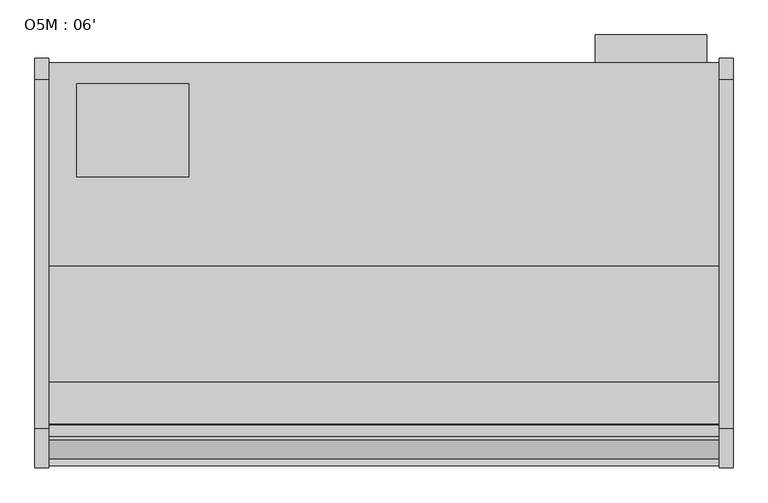
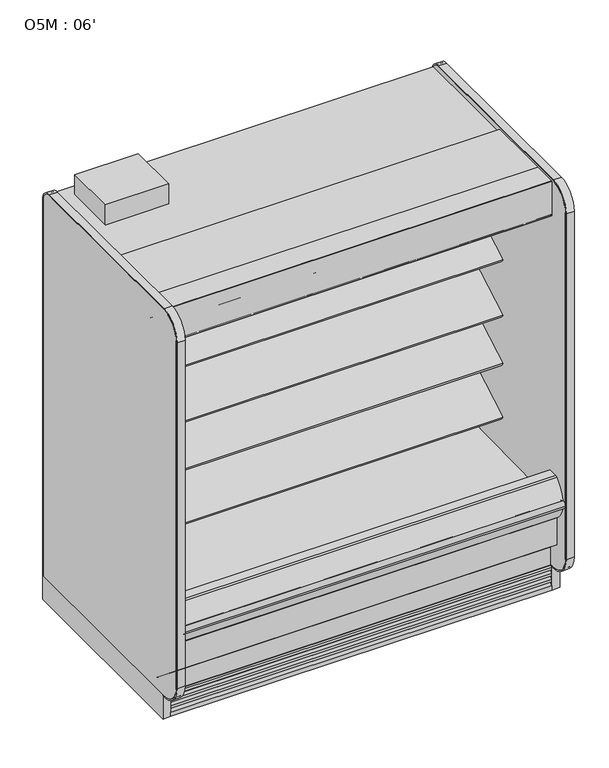
"""IFC4 building model written with IfcOpenShell, lengths in millimetres: proxy geometry, O5M : 06'."""

from ifc_helpers import new_model, si_unit, point, frame, frame_2d, origin, origin_with_axes, place, context, project, spatial, polyline, circle_curve, trimmed, segment, composite_curve, outline, extrude, faceted_brep, source, transform, mapped, element, save
from ifc_brep_helpers import plane_surface, cylinder_surface, revolved_surface, advanced_brep


def o5m_06_97b1ac9b(model_context):
    return source(origin(), model_context, "Body", "SolidModel", [
        extrude(outline(polyline([(1795.6746572, -325.3089273), (1795.6746572, -401.5089273), (1490.8156609, -401.5089273), (1490.8156609, -325.3089273), (1795.6746572, -325.3089273)])), frame((0.0, 0.0, 487.7641214), z_axis=(0.0, 0.0, 1.0), x_axis=(1.0, 0.0, 0.0)), (0.0, 0.0, 1.0), 1371.6),
        extrude(outline(polyline([(381.0, -458.6589273), (381.0, -712.6589273), (76.2, -712.6589273), (76.2, -458.6589273), (381.0, -458.6589273)])), frame((0.0, 0.0, 2053.8264246), z_axis=(0.0, 0.0, 1.0), x_axis=(1.0, 0.0, 0.0)), (0.0, 0.0, 1.0), 101.6),
        extrude(outline(composite_curve([segment(polyline([(-1223.3628541, 1962.3210235), (-1255.895115, 1950.4802489)]), True, "CONTINUOUS"), segment(trimmed(circle_curve(frame_2d((-1256.3757176, 1951.8006938)), 1.4051881), [point((-1255.895115, 1950.4802489))], [point((-1256.9695758, 1950.5271609))], False, "CARTESIAN"), True, "CONTINUOUS"), segment(polyline([(-1256.9695758, 1950.5271609), (-1280.8329852, 1961.6548515)]), True, "CONTINUOUS"), segment(trimmed(circle_curve(frame_2d((-1281.445949, 1960.3403465)), 1.4503958), [point((-1280.8329852, 1961.6548515))], [point((-1281.7308358, 1961.7624883))], True, "CARTESIAN"), True, "CONTINUOUS"), segment(polyline([(-1281.7308358, 1961.7624883), (-1385.7279137, 1933.8965553), (-1386.0503089, 1932.9043249), (-1386.0503089, 1919.5570618), (-1386.9647089, 1919.5570618), (-1386.9647089, 1903.1893853)]), True, "CONTINUOUS"), segment(trimmed(circle_curve(frame_2d((-1385.3772089, 1903.1893853)), 1.5875), [point((-1386.9647089, 1903.1893853))], [point((-1385.8940483, 1901.6883745))], True, "CARTESIAN"), True, "CONTINUOUS"), segment(polyline([(-1385.8940483, 1901.6883745), (-1375.7025605, 1898.1791638)]), True, "CONTINUOUS"), segment(trimmed(circle_curve(frame_2d((-1375.1857211, 1899.6801746)), 1.5875), [point((-1375.7025605, 1898.1791638))], [point((-1374.0631891, 1898.5576426))], True, "CARTESIAN"), True, "CONTINUOUS"), segment(polyline([(-1374.0631891, 1898.5576426), (-1370.6686523, 1901.9521794), (-1370.1043685, 1901.3878956), (-1373.6142806, 1898.1085254)]), True, "CONTINUOUS"), segment(trimmed(circle_curve(frame_2d((-1375.1856584, 1899.6799031)), 2.2222637), [point((-1373.6142806, 1898.1085254))], [point((-1375.9092963, 1897.5787596))], False, "CARTESIAN"), True, "CONTINUOUS"), segment(polyline([(-1375.9092963, 1897.5787596), (-1386.1540366, 1901.1070681)]), True, "CONTINUOUS"), segment(trimmed(circle_curve(frame_2d((-1385.3772089, 1903.1893853)), 2.2225), [point((-1386.1540366, 1901.1070681))], [point((-1387.5997089, 1903.1893853))], False, "CARTESIAN"), True, "CONTINUOUS"), segment(polyline([(-1387.5997089, 1903.1893853), (-1387.5997089, 2005.4901368), (-1352.415, 2053.8264246), (-1280.5248155, 2053.8264246), (-1280.5248155, 2003.6360246), (-1220.831024, 2003.6360246), (-1220.831024, 1914.23035)]), True, "CONTINUOUS"), segment(trimmed(circle_curve(frame_2d((-1218.9441858, 1914.23035)), 1.8868382), [point((-1220.831024, 1914.23035))], [point((-1219.3143335, 1912.3801746))], True, "CARTESIAN"), True, "CONTINUOUS"), segment(polyline([(-1219.3143335, 1912.3801746), (-1211.3098155, 1912.3801746), (-1211.3098155, 1911.5761369), (-1220.1967179, 1911.5761369)]), True, "CONTINUOUS"), segment(trimmed(circle_curve(frame_2d((-1220.1967179, 1913.8074915)), 2.2313546), [point((-1220.1967179, 1911.5761369))], [point((-1222.4223155, 1913.9676746))], False, "CARTESIAN"), True, "CONTINUOUS"), segment(polyline([(-1222.4223155, 1913.9676746), (-1222.4223155, 1917.7806084), (-1223.2619623, 1917.5556257), (-1229.5259839, 1917.5556257), (-1229.5259839, 1918.4700257), (-1223.4631915, 1918.4700257), (-1222.7791089, 1918.864981), (-1222.7791089, 1961.9122807)]), True, "CONTINUOUS"), segment(trimmed(circle_curve(frame_2d((-1223.2140839, 1961.9122807)), 0.434975), [point((-1222.7791089, 1961.9122807))], [point((-1223.3628541, 1962.3210235))], True, "CARTESIAN"), True, "CONTINUOUS")], self_intersect=False)), frame((0.0, 0.0, 0.0), z_axis=(1.0, 0.0, 0.0), x_axis=(0.0, 1.0, 0.0)), (0.0, 0.0, 1.0), 1828.8),
        extrude(outline(composite_curve([segment(polyline([(-1272.4996089, 2072.8764246), (-1272.4996089, 2072.0890246), (-1386.8059589, 2072.0890246)]), True, "CONTINUOUS"), segment(trimmed(circle_curve(frame_2d((-1386.8059589, 2071.2952746)), 0.79375), [point((-1386.8059589, 2072.0890246))], [point((-1387.5997089, 2071.2952746))], True, "CARTESIAN"), True, "CONTINUOUS"), segment(polyline([(-1387.5997089, 2071.2952746), (-1387.5997089, 1896.6893246)]), True, "CONTINUOUS"), segment(trimmed(circle_curve(frame_2d((-1386.8059589, 1896.6893246)), 0.79375), [point((-1387.5997089, 1896.6893246))], [point((-1386.8059589, 1895.8955746))], True, "CARTESIAN"), True, "CONTINUOUS"), segment(polyline([(-1386.8059589, 1895.8955746), (-1363.7745089, 1895.8955746)]), True, "CONTINUOUS"), segment(trimmed(circle_curve(frame_2d((-1363.7745089, 1896.6893246)), 0.79375), [point((-1363.7745089, 1895.8955746))], [point((-1362.9807589, 1896.6893246))], True, "CARTESIAN"), True, "CONTINUOUS"), segment(polyline([(-1362.9807589, 1896.6893246), (-1362.9807589, 1907.8081746), (-1362.1933589, 1907.8081746), (-1362.1933589, 1896.6893246)]), True, "CONTINUOUS"), segment(trimmed(circle_curve(frame_2d((-1363.7745089, 1896.6893246)), 1.58115), [point((-1362.1933589, 1896.6893246))], [point((-1363.7745089, 1895.1081746))], False, "CARTESIAN"), True, "CONTINUOUS"), segment(polyline([(-1363.7745089, 1895.1081746), (-1386.8059589, 1895.1081746)]), True, "CONTINUOUS"), segment(trimmed(circle_curve(frame_2d((-1386.8059589, 1896.6893246)), 1.58115), [point((-1386.8059589, 1895.1081746))], [point((-1388.3871089, 1896.6893246))], False, "CARTESIAN"), True, "CONTINUOUS"), segment(polyline([(-1388.3871089, 1896.6893246), (-1388.3871089, 2071.2952746)]), True, "CONTINUOUS"), segment(trimmed(circle_curve(frame_2d((-1386.8059589, 2071.2952746)), 1.58115), [point((-1388.3871089, 2071.2952746))], [point((-1386.8059589, 2072.8764246))], False, "CARTESIAN"), True, "CONTINUOUS"), segment(polyline([(-1386.8059589, 2072.8764246), (-1272.4996089, 2072.8764246)]), True, "CONTINUOUS")], self_intersect=False)), frame((0.0, 0.0, 0.0), z_axis=(1.0, 0.0, 0.0), x_axis=(0.0, 1.0, 0.0)), (0.0, 0.0, 1.0), 1828.8),
        extrude(outline(composite_curve([segment(trimmed(circle_curve(frame_2d((1629.3213661, -1128.5839273)), 12.7), [point((1616.6213661, -1128.5839273))], [point((1642.0213661, -1128.5839273))], False, "CARTESIAN"), True, "CONTINUOUS"), segment(trimmed(circle_curve(frame_2d((1629.3213661, -1128.5839273)), 12.7), [point((1642.0213661, -1128.5839273))], [point((1616.6213661, -1128.5839273))], False, "CARTESIAN"), True, "CONTINUOUS")], self_intersect=False)), frame((0.0, 0.0, 66.7090149), z_axis=(0.0, 0.0, 1.0), x_axis=(1.0, 0.0, 0.0)), (0.0, 0.0, 1.0), 57.1159851),
        extrude(outline(composite_curve([segment(trimmed(circle_curve(frame_2d((1579.8446927, -1128.5839273)), 9.525), [point((1570.3196927, -1128.5839273))], [point((1589.3696927, -1128.5839273))], False, "CARTESIAN"), True, "CONTINUOUS"), segment(trimmed(circle_curve(frame_2d((1579.8446927, -1128.5839273)), 9.525), [point((1589.3696927, -1128.5839273))], [point((1570.3196927, -1128.5839273))], False, "CARTESIAN"), True, "CONTINUOUS")], self_intersect=False)), frame((0.0, 0.0, 66.7090149), z_axis=(0.0, 0.0, 1.0), x_axis=(1.0, 0.0, 0.0)), (0.0, 0.0, 1.0), 57.1159851),
        extrude(outline(composite_curve([segment(polyline([(-504.9331995, 1155.9321635), (-504.9331995, 1090.8241822), (-525.0625548, 1079.2024935)]), True, "CONTINUOUS"), segment(trimmed(circle_curve(frame_2d((-538.1347002, 1100.9804414)), 25.4), [point((-525.0625548, 1079.2024935))], [point((-542.0987552, 1075.8916737))], False, "CARTESIAN"), True, "CONTINUOUS"), segment(polyline([(-542.0987552, 1075.8916737), (-564.7817265, 1079.47561)]), True, "CONTINUOUS"), segment(trimmed(circle_curve(frame_2d((-574.6918641, 1016.7536906)), 63.5), [point((-564.7817265, 1079.47561))], [point((-599.3555643, 1075.2682349))], True, "CARTESIAN"), True, "CONTINUOUS"), segment(polyline([(-599.3555643, 1075.2682349), (-848.9833062, 958.5086882), (-851.9929005, 960.7439055), (-975.1938258, 889.6138181), (-982.3058258, 901.9321635), (-542.3649207, 1155.9321635), (-504.9331995, 1155.9321635)]), True, "CONTINUOUS")], self_intersect=False)), frame((0.0, 0.0, 0.0), z_axis=(1.0, 0.0, 0.0), x_axis=(0.0, 1.0, 0.0)), (0.0, 0.0, 1.0), 1828.8),
        extrude(outline(composite_curve([segment(polyline([(-504.9331995, 883.8140898), (-504.9331995, 818.7061085), (-525.0625548, 807.0844198)]), True, "CONTINUOUS"), segment(trimmed(circle_curve(frame_2d((-538.1347002, 828.8623677)), 25.4), [point((-525.0625548, 807.0844198))], [point((-542.0987552, 803.7736))], False, "CARTESIAN"), True, "CONTINUOUS"), segment(polyline([(-542.0987552, 803.7736), (-564.7817265, 807.3575363)]), True, "CONTINUOUS"), segment(trimmed(circle_curve(frame_2d((-574.6918641, 744.6356169)), 63.5), [point((-564.7817265, 807.3575363))], [point((-599.3555643, 803.1501612))], True, "CARTESIAN"), True, "CONTINUOUS"), segment(polyline([(-599.3555643, 803.1501612), (-848.9833062, 686.3906146), (-851.9929005, 688.6258319), (-975.1938258, 617.4957444), (-982.3058258, 629.8140898), (-542.3649207, 883.8140898), (-504.9331995, 883.8140898)]), True, "CONTINUOUS")], self_intersect=False)), frame((0.0, 0.0, 0.0), z_axis=(1.0, 0.0, 0.0), x_axis=(0.0, 1.0, 0.0)), (0.0, 0.0, 1.0), 1828.8),
        extrude(outline(composite_curve([segment(polyline([(-504.9331995, 1400.2899942), (-504.9331995, 1335.182013), (-525.0625548, 1323.5603243)]), True, "CONTINUOUS"), segment(trimmed(circle_curve(frame_2d((-538.1347002, 1345.3382722)), 25.4), [point((-525.0625548, 1323.5603243))], [point((-542.0987552, 1320.2495044))], False, "CARTESIAN"), True, "CONTINUOUS"), segment(polyline([(-542.0987552, 1320.2495044), (-564.7817265, 1323.8334408)]), True, "CONTINUOUS"), segment(trimmed(circle_curve(frame_2d((-574.6918641, 1261.1115214)), 63.5), [point((-564.7817265, 1323.8334408))], [point((-599.3555643, 1319.6260657))], True, "CARTESIAN"), True, "CONTINUOUS"), segment(polyline([(-599.3555643, 1319.6260657), (-848.9833062, 1202.866519), (-851.9929005, 1205.1017363), (-975.1938258, 1133.9716489), (-982.3058258, 1146.2899942), (-542.3649207, 1400.2899942), (-504.9331995, 1400.2899942)]), True, "CONTINUOUS")], self_intersect=False)), frame((0.0, 0.0, 0.0), z_axis=(1.0, 0.0, 0.0), x_axis=(0.0, 1.0, 0.0)), (0.0, 0.0, 1.0), 1828.8),
        extrude(outline(polyline([(711.2, -1346.7911816), (403.225, -1346.7911816), (403.225, -1249.5865659), (711.2, -1249.5865659), (711.2, -1346.7911816)])), frame((0.0, 0.0, 53.2186364), z_axis=(0.0, 0.0, 1.0), x_axis=(1.0, 0.0, 0.0)), (0.0, 0.0, 1.0), 9.8914),
        faceted_brep([(1828.8, -1207.9589273, 130.175), (1828.8, -1275.0830824, 130.175), (1828.8, -1369.8839273, 206.7143253), (1828.8, -1369.8839273, 10.9768116), (1828.8, -1207.9589273, 10.9768116), (0.0, -1207.9589273, 130.175), (0.0, -1207.9589273, 10.9768116), (0.0, -1369.8839273, 10.9768116), (0.0, -1369.8839273, 206.7143253), (0.0, -1275.0830824, 130.175), (711.2, -1346.7911816, 10.9768116), (711.2, -1249.5865659, 10.9768116), (403.225, -1249.5865659, 10.9768116), (403.225, -1346.7911816, 10.9768116), (711.2, -1346.7911816, 63.1100364), (403.225, -1346.7911816, 63.1100364), (403.225, -1249.5865659, 63.1100364), (711.2, -1249.5865659, 63.1100364)], [[[0, 1, 2, 3, 4]], [[5, 6, 7, 8, 9]], [[1, 0, 5, 9]], [[2, 1, 9, 8]], [[3, 2, 8, 7]], [[4, 3, 7, 6], [10, 11, 12, 13]], [[0, 4, 6, 5]], [[14, 15, 16, 17]], [[14, 17, 11, 10]], [[17, 16, 12, 11]], [[16, 15, 13, 12]], [[15, 14, 10, 13]]]),
        extrude(outline(composite_curve([segment(trimmed(circle_curve(frame_2d((368.3, 1749.2090336)), 12.7), [point((368.3, 1761.9090336))], [point((368.3, 1736.5090336))], False, "CARTESIAN"), True, "CONTINUOUS"), segment(trimmed(circle_curve(frame_2d((368.3, 1749.2090336)), 12.7), [point((368.3, 1736.5090336))], [point((368.3, 1761.9090336))], False, "CARTESIAN"), True, "CONTINUOUS")], self_intersect=False)), frame((0.0, -447.5561252, 0.0), z_axis=(0.0, 1.0, 0.0), x_axis=(0.0, 0.0, 1.0)), (0.0, 0.0, 1.0), 52.3971979),
        extrude(outline(composite_curve([segment(trimmed(circle_curve(frame_2d((368.3, 1710.7972115)), 9.525), [point((368.3, 1720.3222115))], [point((368.3, 1701.2722115))], False, "CARTESIAN"), True, "CONTINUOUS"), segment(trimmed(circle_curve(frame_2d((368.3, 1710.7972115)), 9.525), [point((368.3, 1701.2722115))], [point((368.3, 1720.3222115))], False, "CARTESIAN"), True, "CONTINUOUS")], self_intersect=False)), frame((0.0, -447.5561252, 0.0), z_axis=(0.0, 1.0, 0.0), x_axis=(0.0, 0.0, 1.0)), (0.0, 0.0, 1.0), 52.3971979),
        extrude(outline(composite_curve([segment(polyline([(-451.7851762, 2003.6360246), (-451.7851762, 404.745884), (-504.9331995, 404.745884), (-504.9331995, 1926.7316344)]), True, "CONTINUOUS"), segment(trimmed(circle_curve(frame_2d((-530.2144075, 1924.2779595)), 25.4), [point((-504.9331995, 1926.7316344))], [point((-530.1770065, 1949.6779319))], True, "CARTESIAN"), True, "CONTINUOUS"), segment(polyline([(-530.1770065, 1949.6779319), (-1117.9341687, 1949.6779319), (-1117.9341687, 1918.6360743)]), True, "CONTINUOUS"), segment(trimmed(circle_curve(frame_2d((-1120.1564596, 1918.6360743)), 2.2222909), [point((-1117.9341687, 1918.6360743))], [point((-1120.1564596, 1916.4137834))], False, "CARTESIAN"), True, "CONTINUOUS"), segment(polyline([(-1120.1564596, 1916.4137834), (-1129.6207909, 1916.4137834)]), True, "CONTINUOUS"), segment(trimmed(circle_curve(frame_2d((-1129.6207909, 1916.7312834)), 0.3175), [point((-1129.6207909, 1916.4137834))], [point((-1129.6207909, 1917.0487834))], False, "CARTESIAN"), True, "CONTINUOUS"), segment(polyline([(-1129.6207909, 1917.0487834), (-1120.1566687, 1917.0487834)]), True, "CONTINUOUS"), segment(trimmed(circle_curve(frame_2d((-1120.1566687, 1918.6362834)), 1.5875), [point((-1120.1566687, 1917.0487834))], [point((-1118.5691687, 1918.6362834))], True, "CARTESIAN"), True, "CONTINUOUS"), segment(polyline([(-1118.5691687, 1918.6362834), (-1118.5691687, 1942.4487846), (-1220.1998155, 1942.4487846), (-1220.1998155, 1918.6362834)]), True, "CONTINUOUS"), segment(trimmed(circle_curve(frame_2d((-1218.6123155, 1918.6362834)), 1.5875), [point((-1220.1998155, 1918.6362834))], [point((-1218.6123155, 1917.0487834))], True, "CARTESIAN"), True, "CONTINUOUS"), segment(polyline([(-1218.6123155, 1917.0487834), (-1209.9959099, 1917.0487834)]), True, "CONTINUOUS"), segment(trimmed(circle_curve(frame_2d((-1209.9959099, 1916.7312834)), 0.3175), [point((-1209.9959099, 1917.0487834))], [point((-1209.9959099, 1916.4137834))], False, "CARTESIAN"), True, "CONTINUOUS"), segment(polyline([(-1209.9959099, 1916.4137834), (-1218.6125246, 1916.4137834)]), True, "CONTINUOUS"), segment(trimmed(circle_curve(frame_2d((-1218.6125246, 1918.6360743)), 2.2222909), [point((-1218.6125246, 1916.4137834))], [point((-1220.8348155, 1918.6362834))], False, "CARTESIAN"), True, "CONTINUOUS"), segment(polyline([(-1220.8348155, 1918.6362834), (-1220.8268179, 2003.6360246), (-451.7851762, 2003.6360246)]), True, "CONTINUOUS")], self_intersect=False)), frame((0.0, 0.0, 0.0), z_axis=(1.0, 0.0, 0.0), x_axis=(0.0, 1.0, 0.0)), (0.0, 0.0, 1.0), 1828.8),
        advanced_brep(
        [(1828.8, -1428.7889874, 391.24255), (1828.8, -1428.7889874, 254.2724833), (1828.8, -1275.0830824, 130.175), (1828.8, -401.5089273, 130.175), (1828.8, -401.5089273, 2053.8264246), (1828.8, -1280.5248155, 2053.8264246), (1828.8, -1280.5248155, 2003.6360246), (1828.8, -451.7851762, 2003.6360246), (1828.8, -451.7851762, 363.9695251), (1828.8, -599.5014929, 211.662363), (1828.8, -1043.5931205, 195.6779213), (1828.8, -1096.7050237, 157.095884), (1828.8, -1163.5210307, 157.095884), (1828.8, -1221.5656168, 189.2720563), (1828.8, -1379.2843872, 341.5792153), (1828.8, -1379.2843872, 391.24255), (0.0, -1428.7889874, 391.24255), (0.0, -1379.2843872, 391.24255), (0.0, -1379.2843872, 341.5792153), (0.0, -1221.5656168, 189.2720563), (0.0, -1163.5210307, 157.095884), (0.0, -1096.7050237, 157.095884), (0.0, -1043.5931205, 195.6779213), (0.0, -599.5014929, 211.662363), (0.0, -451.7851762, 363.9695251), (0.0, -451.7851762, 2003.6360246), (0.0, -1280.5248155, 2003.6360246), (0.0, -1280.5248155, 2053.8264246), (0.0, -401.5089273, 2053.8264246), (0.0, -401.5089273, 130.175), (0.0, -1275.0830824, 130.175), (0.0, -1428.7889874, 254.2724833), (1727.2, -401.5089273, 317.5), (1727.2, -401.5089273, 419.1), (1727.2, -447.5561252, 317.5), (1727.2, -447.5561252, 419.1)],
        [
            (0, 1),
            (1, 2),
            (2, 3),
            (3, 4),
            (4, 5),
            (5, 6),
            (6, 7),
            (7, 8),
            (8, 9, circle_curve(frame((1828.8, -605.0132276, 364.7934683), z_axis=(-1.0, 0.0, 0.0), x_axis=(0.0, 1.0, 0.0)), 153.2302667)),
            (9, 10),
            (10, 11),
            (11, 12),
            (12, 13),
            (13, 14, circle_curve(frame((1828.8, -1226.8843872, 341.5792153), z_axis=(-1.0, 0.0, 0.0), x_axis=(0.0, 1.0, 0.0)), 152.4)),
            (14, 15),
            (15, 0),
            (16, 17),
            (17, 18),
            (18, 19, circle_curve(frame((0.0, -1226.8843872, 341.5792153), z_axis=(1.0, 0.0, 0.0), x_axis=(0.0, 1.0, 0.0)), 152.4)),
            (19, 20),
            (20, 21),
            (21, 22),
            (22, 23),
            (23, 24, circle_curve(frame((0.0, -605.0132276, 364.7934683), z_axis=(1.0, 0.0, 0.0), x_axis=(0.0, 1.0, 0.0)), 153.2302667)),
            (24, 25),
            (25, 26),
            (26, 27),
            (27, 28),
            (28, 29),
            (29, 30),
            (30, 31),
            (31, 16),
            (0, 16),
            (31, 1),
            (30, 2),
            (29, 3),
            (28, 4),
            (32, 33, circle_curve(frame((1727.2, -401.5089273, 368.3), z_axis=(0.0, -1.0, 0.0), x_axis=(0.0, 0.0, 1.0)), 50.8)),
            (33, 32, circle_curve(frame((1727.2, -401.5089273, 368.3), z_axis=(0.0, -1.0, 0.0), x_axis=(0.0, 0.0, 1.0)), 50.8)),
            (27, 5),
            (26, 6),
            (25, 7),
            (24, 8),
            (23, 9),
            (22, 10),
            (21, 11),
            (20, 12),
            (19, 13),
            (18, 14),
            (17, 15),
            (34, 35, circle_curve(frame((1727.2, -447.5561252, 368.3), z_axis=(0.0, 1.0, 0.0), x_axis=(0.0, 0.0, 1.0)), 50.8)),
            (35, 34, circle_curve(frame((1727.2, -447.5561252, 368.3), z_axis=(0.0, 1.0, 0.0), x_axis=(0.0, 0.0, 1.0)), 50.8)),
            (35, 33),
            (32, 34),
        ],
        [
            plane_surface(frame((1828.8, -1428.7889874, 254.2724833), z_axis=(1.0, 0.0, 0.0), x_axis=(0.0, 0.0, -1.0))),
            plane_surface(frame((0.0, -1428.7889874, 254.2724833), z_axis=(-1.0, 0.0, 0.0), x_axis=(0.0, 0.0, 1.0))),
            plane_surface(frame((1828.8, -1428.7889874, 391.24255), z_axis=(0.0, -1.0, 0.0), x_axis=(-1.0, 0.0, 0.0))),
            plane_surface(frame((1828.8, -1428.7889874, 254.2724833), z_axis=(0.0, -0.6281851642637378, -0.7780638787393622), x_axis=(-1.0, 0.0, 0.0))),
            plane_surface(frame((1828.8, -1275.0830824, 130.175), z_axis=(0.0, 0.0, -1.0), x_axis=(-1.0, 0.0, 0.0))),
            plane_surface(frame((1828.8, -401.5089273, 130.175), z_axis=(0.0, 1.0, 0.0), x_axis=(-1.0, 0.0, 0.0))),
            plane_surface(frame((1828.8, -401.5089273, 2053.8264246), z_axis=(0.0, 0.0, 1.0), x_axis=(-1.0, 0.0, 0.0))),
            plane_surface(frame((1828.8, -1280.5248155, 2053.8264246), z_axis=(0.0, -1.0, 0.0), x_axis=(-1.0, 0.0, 0.0))),
            plane_surface(frame((1828.8, -1280.5248155, 2003.6360246), z_axis=(0.0, 0.0, -1.0), x_axis=(-1.0, 0.0, 0.0))),
            plane_surface(frame((1828.8, -451.7851762, 2003.6360246), z_axis=(0.0, -1.0, 0.0), x_axis=(-1.0, 0.0, 0.0))),
            revolved_surface(polyline([(0.0, -451.78296090000003, 364.7934683), (1828.8, -451.78296090000003, 364.7934683)]), (0.0, -605.0132276, 364.7934683), (-1.0, 0.0, 0.0)),
            plane_surface(frame((1828.8, -599.5014929, 211.662363), z_axis=(0.0, -0.035970274152171335, 0.9993528602938092), x_axis=(-1.0, 0.0, 0.0))),
            plane_surface(frame((1828.8, -1043.5931205, 195.6779213), z_axis=(0.0, -0.5877252382160976, 0.8090605937529224), x_axis=(-1.0, 0.0, 0.0))),
            plane_surface(frame((1828.8, -1096.7050237, 157.095884), z_axis=(0.0, 0.0, 1.0), x_axis=(-1.0, 0.0, 0.0))),
            plane_surface(frame((1828.8, -1163.5210307, 157.095884), z_axis=(0.0, 0.48482728759131516, 0.8746099137368889), x_axis=(-1.0, 0.0, 0.0))),
            revolved_surface(polyline([(0.0, -1074.4843872, 341.5792153), (1828.8, -1074.4843872, 341.5792153)]), (0.0, -1226.8843872, 341.5792153), (-1.0, 0.0, 0.0)),
            plane_surface(frame((1828.8, -1379.2843872, 341.5792153), z_axis=(0.0, 1.0, 0.0), x_axis=(-1.0, 0.0, 0.0))),
            plane_surface(frame((1828.8, -1379.2843872, 391.24255), z_axis=(0.0, 0.0, 1.0), x_axis=(-1.0, 0.0, 0.0))),
            plane_surface(frame((1727.2, -447.5561252, 419.1), z_axis=(0.0, 1.0, 0.0), x_axis=(-1.0, 0.0, 0.0))),
            revolved_surface(polyline([(1727.2, -447.5561252, 419.1), (1727.2, -401.5089273, 419.1)]), (1727.2, -401.5089273, 368.3), (0.0, -1.0, 0.0)),
        ],
        [
            (0, [[1, 2, 3, 4, 5, 6, 7, 8, 9, 10, 11, 12, 13, 14, 15, 16]]),
            (1, [[17, 18, 19, 20, 21, 22, 23, 24, 25, 26, 27, 28, 29, 30, 31, 32]]),
            (2, [[-1, 33, -32, 34]]),
            (3, [[-2, -34, -31, 35]]),
            (4, [[-3, -35, -30, 36]]),
            (5, [[-4, -36, -29, 37], [38, 39]]),
            (6, [[-5, -37, -28, 40]]),
            (7, [[-6, -40, -27, 41]]),
            (8, [[-7, -41, -26, 42]]),
            (9, [[-8, -42, -25, 43]]),
            (10, [[-9, -43, -24, 44]]),
            (11, [[-10, -44, -23, 45]]),
            (12, [[-11, -45, -22, 46]]),
            (13, [[-12, -46, -21, 47]]),
            (14, [[-13, -47, -20, 48]]),
            (15, [[-14, -48, -19, 49]]),
            (16, [[-15, -49, -18, 50]]),
            (17, [[-16, -50, -17, -33]]),
            (18, [[51, 52]]),
            (19, [[-52, 53, -38, 54]]),
            (19, [[-51, -54, -39, -53]]),
        ],
    ),
        advanced_brep(
        [(1828.8, -1221.5656168, 189.2720563), (1828.8, -1163.5210307, 157.095884), (1828.8, -1096.7050237, 157.095884), (1828.8, -1043.5931205, 195.6779213), (1828.8, -599.5014929, 211.662363), (1828.8, -451.7851762, 363.9695251), (1828.8, -451.7851762, 404.745884), (1828.8, -504.9543965, 404.745884), (1828.8, -504.9543965, 468.8781737), (1828.8, -516.6398058, 457.951581), (1828.8, -611.5826347, 451.2993262), (1828.8, -611.5826347, 459.5548668), (1828.8, -1324.1043965, 447.1177532), (1828.8, -1324.1043965, 521.1947919), (1828.8, -1379.2843872, 521.1947919), (1828.8, -1379.2843872, 341.5792153), (0.0, -1221.5656168, 189.2720563), (0.0, -1379.2843872, 341.5792153), (0.0, -1379.2843872, 521.1947919), (0.0, -1324.1043965, 521.1947919), (0.0, -1324.1043965, 447.1177532), (0.0, -611.5826347, 459.5548668), (0.0, -611.5826347, 451.2993262), (0.0, -516.6285003, 457.9391661), (0.0, -504.9543965, 468.8781737), (0.0, -504.9543965, 404.745884), (0.0, -451.7851762, 404.745884), (0.0, -451.7851762, 363.9695251), (0.0, -599.5014929, 211.662363), (0.0, -1043.5931205, 195.6779213), (0.0, -1096.7050237, 157.095884), (0.0, -1163.5210307, 157.095884)],
        [
            (0, 1),
            (1, 2),
            (2, 3),
            (3, 4),
            (4, 5, circle_curve(frame((1828.8, -605.0132276, 364.7934683), z_axis=(1.0, 0.0, 0.0), x_axis=(0.0, 1.0, 0.0)), 153.2302667)),
            (5, 6),
            (6, 7),
            (7, 8),
            (8, 9, circle_curve(frame((1828.8, -517.5249667, 470.6099714), z_axis=(-1.0, 0.0, 0.0), x_axis=(0.0, 1.0, 0.0)), 12.689301)),
            (9, 10),
            (10, 11),
            (11, 12),
            (12, 13),
            (13, 14),
            (14, 15),
            (15, 0, circle_curve(frame((1828.8, -1226.8843872, 341.5792153), z_axis=(1.0, 0.0, 0.0), x_axis=(0.0, 1.0, 0.0)), 152.4)),
            (16, 17, circle_curve(frame((0.0, -1226.8843872, 341.5792153), z_axis=(-1.0, 0.0, 0.0), x_axis=(0.0, 1.0, 0.0)), 152.4)),
            (17, 18),
            (18, 19),
            (19, 20),
            (20, 21),
            (21, 22),
            (22, 23),
            (23, 24, circle_curve(frame((0.0, -517.5249667, 470.6099714), z_axis=(1.0, 0.0, 0.0), x_axis=(0.0, 1.0, 0.0)), 12.689301)),
            (24, 25),
            (25, 26),
            (26, 27),
            (27, 28, circle_curve(frame((0.0, -605.0132276, 364.7934683), z_axis=(-1.0, 0.0, 0.0), x_axis=(0.0, 1.0, 0.0)), 153.2302667)),
            (28, 29),
            (29, 30),
            (30, 31),
            (31, 16),
            (14, 18),
            (17, 15),
            (16, 0),
            (31, 1),
            (30, 2),
            (29, 3),
            (28, 4),
            (27, 5),
            (26, 6),
            (25, 7),
            (24, 8),
            (23, 9),
            (22, 10),
            (21, 11),
            (20, 12),
            (19, 13),
        ],
        [
            plane_surface(frame((1828.8, -1221.5656168, 189.2720563), z_axis=(1.0, 0.0, 0.0), x_axis=(0.0, 0.8746099137368883, -0.48482728759131605))),
            plane_surface(frame((0.0, -1221.5656168, 189.2720563), z_axis=(-1.0, 0.0, 0.0), x_axis=(0.0, -0.8746099137368883, 0.48482728759131605))),
            plane_surface(frame((1828.8, -1379.2843872, 521.1947919), z_axis=(0.0, -1.0, 0.0), x_axis=(-1.0, 0.0, 0.0))),
            cylinder_surface(frame((0.0, -1226.8843872, 341.5792153), z_axis=(1.0, 0.0, 0.0), x_axis=(0.0, 1.0, 0.0)), 152.4),
            plane_surface(frame((1828.8, -1221.5656168, 189.2720563), z_axis=(0.0, -0.48482728759131605, -0.8746099137368883), x_axis=(-1.0, 0.0, 0.0))),
            plane_surface(frame((1828.8, -1163.5210307, 157.095884), z_axis=(0.0, 0.0, -1.0), x_axis=(-1.0, 0.0, 0.0))),
            plane_surface(frame((1828.8, -1096.7050237, 157.095884), z_axis=(0.0, 0.5877252382160976, -0.8090605937529224), x_axis=(-1.0, 0.0, 0.0))),
            plane_surface(frame((1828.8, -1043.5931205, 195.6779213), z_axis=(0.0, 0.03597027415217135, -0.9993528602938092), x_axis=(-1.0, 0.0, 0.0))),
            cylinder_surface(frame((0.0, -605.0132276, 364.7934683), z_axis=(1.0, 0.0, 0.0), x_axis=(0.0, 1.0, 0.0)), 153.2302667),
            plane_surface(frame((1828.8, -451.7851762, 363.9695251), z_axis=(0.0, 1.0, 0.0), x_axis=(-1.0, 0.0, 0.0))),
            plane_surface(frame((1828.8, -451.7851762, 404.745884), z_axis=(0.0, 0.0, 1.0), x_axis=(-1.0, 0.0, 0.0))),
            plane_surface(frame((1828.8, -504.9543965, 404.745884), z_axis=(0.0, 1.0, 0.0), x_axis=(-1.0, 0.0, 0.0))),
            revolved_surface(polyline([(0.0, -504.83566570000005, 470.6099714), (1828.8, -504.83566570000005, 470.6099714)]), (0.0, -517.5249667, 470.6099714), (-1.0, 0.0, 0.0)),
            plane_surface(frame((1828.8, -516.6285003, 457.9391661), z_axis=(0.0, -0.06975647369769093, 0.9975640502630714), x_axis=(-1.0, 0.0, 0.0))),
            plane_surface(frame((1828.8, -611.5826347, 451.2993262), z_axis=(0.0, 1.0, 0.0), x_axis=(-1.0, 0.0, 0.0))),
            plane_surface(frame((1828.8, -611.5826347, 459.5548668), z_axis=(0.0, -0.017452406437283387, 0.9998476951563913), x_axis=(-1.0, 0.0, 0.0))),
            plane_surface(frame((1828.8, -1324.1043965, 447.1177532), z_axis=(0.0, 1.0, 0.0), x_axis=(-1.0, 0.0, 0.0))),
            plane_surface(frame((1828.8, -1324.1043965, 521.1947919), z_axis=(0.0, 0.0, 1.0), x_axis=(-1.0, 0.0, 0.0))),
        ],
        [
            (0, [[1, 2, 3, 4, 5, 6, 7, 8, 9, 10, 11, 12, 13, 14, 15, 16]]),
            (1, [[17, 18, 19, 20, 21, 22, 23, 24, 25, 26, 27, 28, 29, 30, 31, 32]]),
            (2, [[-15, 33, -18, 34]]),
            (3, [[-16, -34, -17, 35]]),
            (4, [[-1, -35, -32, 36]]),
            (5, [[-2, -36, -31, 37]]),
            (6, [[-3, -37, -30, 38]]),
            (7, [[-4, -38, -29, 39]]),
            (8, [[-5, -39, -28, 40]]),
            (9, [[-6, -40, -27, 41]]),
            (10, [[-7, -41, -26, 42]]),
            (11, [[-8, -42, -25, 43]]),
            (12, [[-9, -43, -24, 44]]),
            (13, [[-10, -44, -23, 45]]),
            (14, [[-11, -45, -22, 46]]),
            (15, [[-12, -46, -21, 47]]),
            (16, [[-13, -47, -20, 48]]),
            (17, [[-14, -48, -19, -33]]),
        ],
    ),
        extrude(outline(composite_curve([segment(trimmed(circle_curve(frame_2d((914.4, -1128.5839273)), 38.1), [point((876.3, -1128.5839273))], [point((952.5, -1128.5839273))], False, "CARTESIAN"), True, "CONTINUOUS"), segment(trimmed(circle_curve(frame_2d((914.4, -1128.5839273)), 38.1), [point((952.5, -1128.5839273))], [point((876.3, -1128.5839273))], False, "CARTESIAN"), True, "CONTINUOUS")], self_intersect=False)), frame((0.0, 0.0, 66.7090149), z_axis=(0.0, 0.0, 1.0), x_axis=(1.0, 0.0, 0.0)), (0.0, 0.0, 1.0), 57.1159851),
        advanced_brep(
        [(1828.8, -401.5089273, 0.0), (1828.8, -401.5089273, 130.175), (1828.8, -1207.9589273, 130.175), (1828.8, -1207.9589273, 0.0), (1828.8, -1161.1594273, 0.0), (1828.8, -1161.1594273, 74.8810382), (1828.8, -446.7209273, 74.8810382), (1828.8, -446.7209273, 0.0), (0.0, -401.5089273, 0.0), (0.0, -446.7209273, 0.0), (0.0, -446.7209273, 74.8810382), (0.0, -1161.1594273, 74.8810382), (0.0, -1161.1594273, 0.0), (0.0, -1207.9589273, 0.0), (0.0, -1207.9589273, 130.175), (0.0, -401.5089273, 130.175), (875.4195331, -1161.1594273, 0.0), (953.3804669, -1161.1594273, 0.0), (1566.7259568, -1161.1594273, 0.0), (1646.3740432, -1161.1594273, 0.0), (1646.3740432, -1161.1594273, 74.8810382), (875.4195331, -1161.1594273, 74.8810382), (953.3804669, -1161.1594273, 74.8810382), (1566.7259568, -1161.1594273, 74.8810382), (1657.35, -1129.6207909, 74.8810382), (1555.75, -1129.6207909, 74.8810382), (965.2, -1128.5839273, 74.8810382), (863.6, -1128.5839273, 74.8810382), (863.6, -1128.5839273, 123.825), (965.2, -1128.5839273, 123.825), (1555.75, -1129.6207909, 123.825), (1657.35, -1129.6207909, 123.825)],
        [
            (0, 1),
            (1, 2),
            (2, 3),
            (3, 4),
            (4, 5),
            (5, 6),
            (6, 7),
            (7, 0),
            (8, 9),
            (9, 10),
            (10, 11),
            (11, 12),
            (12, 13),
            (13, 14),
            (14, 15),
            (15, 8),
            (0, 8),
            (15, 1),
            (14, 2),
            (13, 3),
            (12, 16),
            (16, 17, circle_curve(frame((914.4, -1128.5839273, 0.0), z_axis=(0.0, 0.0, 1.0), x_axis=(1.0, 0.0, 0.0)), 50.8)),
            (17, 18),
            (18, 19, circle_curve(frame((1606.55, -1129.6207909, 0.0), z_axis=(0.0, 0.0, 1.0), x_axis=(1.0, 0.0, 0.0)), 50.8)),
            (19, 4),
            (19, 20),
            (20, 5),
            (11, 21),
            (21, 16),
            (17, 22),
            (22, 23),
            (23, 18),
            (20, 24, circle_curve(frame((1606.55, -1129.6207909, 74.8810382), z_axis=(0.0, 0.0, 1.0), x_axis=(1.0, 0.0, 0.0)), 50.8)),
            (24, 25, circle_curve(frame((1606.55, -1129.6207909, 74.8810382), z_axis=(0.0, 0.0, 1.0), x_axis=(1.0, 0.0, 0.0)), 50.8)),
            (25, 23, circle_curve(frame((1606.55, -1129.6207909, 74.8810382), z_axis=(0.0, 0.0, 1.0), x_axis=(1.0, 0.0, 0.0)), 50.8)),
            (22, 26, circle_curve(frame((914.4, -1128.5839273, 74.8810382), z_axis=(0.0, 0.0, 1.0), x_axis=(1.0, 0.0, 0.0)), 50.8)),
            (26, 27, circle_curve(frame((914.4, -1128.5839273, 74.8810382), z_axis=(0.0, 0.0, 1.0), x_axis=(1.0, 0.0, 0.0)), 50.8)),
            (27, 21, circle_curve(frame((914.4, -1128.5839273, 74.8810382), z_axis=(0.0, 0.0, 1.0), x_axis=(1.0, 0.0, 0.0)), 50.8)),
            (10, 6),
            (9, 7),
            (28, 29, circle_curve(frame((914.4, -1128.5839273, 123.825), z_axis=(0.0, 0.0, -1.0), x_axis=(1.0, 0.0, 0.0)), 50.8)),
            (29, 28, circle_curve(frame((914.4, -1128.5839273, 123.825), z_axis=(0.0, 0.0, -1.0), x_axis=(1.0, 0.0, 0.0)), 50.8)),
            (29, 26),
            (27, 28),
            (30, 31, circle_curve(frame((1606.55, -1129.6207909, 123.825), z_axis=(0.0, 0.0, -1.0), x_axis=(1.0, 0.0, 0.0)), 50.8)),
            (31, 30, circle_curve(frame((1606.55, -1129.6207909, 123.825), z_axis=(0.0, 0.0, -1.0), x_axis=(1.0, 0.0, 0.0)), 50.8)),
            (31, 24),
            (25, 30),
        ],
        [
            plane_surface(frame((1828.8, -401.5089273, 1893.5715584), z_axis=(1.0, 0.0, 0.0), x_axis=(0.0, 0.0, 1.0))),
            plane_surface(frame((0.0, -401.5089273, 1893.5715584), z_axis=(-1.0, 0.0, 0.0), x_axis=(0.0, 0.0, -1.0))),
            plane_surface(frame((1828.8, -401.5089273, 0.0), z_axis=(0.0, 1.0, 0.0), x_axis=(-1.0, 0.0, 0.0))),
            plane_surface(frame((1828.8, -401.5089273, 130.175), z_axis=(0.0, 0.0, 1.0), x_axis=(-1.0, 0.0, 0.0))),
            plane_surface(frame((1828.8, -1207.9589273, 130.175), z_axis=(0.0, -1.0, 0.0), x_axis=(-1.0, 0.0, 0.0))),
            plane_surface(frame((1828.8, -1207.9589273, 0.0), z_axis=(0.0, 0.0, -1.0), x_axis=(-1.0, 0.0, 0.0))),
            plane_surface(frame((1828.8, -1161.1594273, 0.0), z_axis=(0.0, 1.0, 0.0), x_axis=(-1.0, 0.0, 0.0))),
            plane_surface(frame((1828.8, -1161.1594273, 74.8810382), z_axis=(0.0, 0.0, -1.0), x_axis=(-1.0, 0.0, 0.0))),
            plane_surface(frame((1828.8, -446.7209273, 74.8810382), z_axis=(0.0, -1.0, 0.0), x_axis=(-1.0, 0.0, 0.0))),
            plane_surface(frame((1828.8, -446.7209273, 0.0), z_axis=(0.0, 0.0, -1.0), x_axis=(-1.0, 0.0, 0.0))),
            plane_surface(frame((965.2, -1128.5839273, 123.825), z_axis=(0.0, 0.0, -1.0), x_axis=(0.0, 1.0, 0.0))),
            revolved_surface(polyline([(965.1999999999999, -1128.5839273, 123.825), (965.1999999999999, -1128.5839273, 0.0)]), (914.4, -1128.5839273, 0.0), (0.0, 0.0, 1.0)),
            revolved_surface(polyline([(965.1999999999999, -1128.5839273, 123.825), (965.1999999999999, -1128.5839273, 74.8810382)]), (914.4, -1128.5839273, 0.0), (0.0, 0.0, 1.0)),
            plane_surface(frame((1657.35, -1129.6207909, 123.825), z_axis=(0.0, 0.0, -1.0), x_axis=(0.0, 1.0, 0.0))),
            revolved_surface(polyline([(1657.35, -1129.6207909, 123.825), (1657.35, -1129.6207909, 0.0)]), (1606.55, -1129.6207909, 0.0), (0.0, 0.0, 1.0)),
            revolved_surface(polyline([(1657.35, -1129.6207909, 123.825), (1657.35, -1129.6207909, 74.8810382)]), (1606.55, -1129.6207909, 0.0), (0.0, 0.0, 1.0)),
        ],
        [
            (0, [[1, 2, 3, 4, 5, 6, 7, 8]]),
            (1, [[9, 10, 11, 12, 13, 14, 15, 16]]),
            (2, [[-1, 17, -16, 18]]),
            (3, [[-2, -18, -15, 19]]),
            (4, [[-3, -19, -14, 20]]),
            (5, [[-4, -20, -13, 21, 22, 23, 24, 25]]),
            (6, [[-5, -25, 26, 27]]),
            (6, [[-12, 28, 29, -21]]),
            (6, [[30, 31, 32, -23]]),
            (7, [[-6, -27, 33, 34, 35, -31, 36, 37, 38, -28, -11, 39]]),
            (8, [[-7, -39, -10, 40]]),
            (9, [[-8, -40, -9, -17]]),
            (10, [[41, 42]]),
            (11, [[-42, 43, -36, -30, -22, -29, -38, 44]]),
            (12, [[-41, -44, -37, -43]]),
            (13, [[45, 46]]),
            (14, [[-46, 47, -33, -26, -24, -32, -35, 48]]),
            (15, [[-45, -48, -34, -47]]),
        ],
    ),
        extrude(outline(composite_curve([segment(trimmed(circle_curve(frame_2d((-1218.6123155, 1918.6362834)), 1.5875), [point((-1218.6123155, 1917.0487834))], [point((-1220.1998155, 1918.6362834))], False, "CARTESIAN"), True, "CONTINUOUS"), segment(polyline([(-1220.1998155, 1918.6362834), (-1220.1998155, 1942.4487846), (-1118.5691687, 1942.4487846), (-1118.5691687, 1918.6362834)]), True, "CONTINUOUS"), segment(trimmed(circle_curve(frame_2d((-1120.1566687, 1918.6362834)), 1.5875), [point((-1118.5691687, 1918.6362834))], [point((-1120.1566687, 1917.0487834))], False, "CARTESIAN"), True, "CONTINUOUS"), segment(polyline([(-1120.1566687, 1917.0487834), (-1218.6123155, 1917.0487834)]), True, "CONTINUOUS")], self_intersect=False)), frame((0.0, 0.0, 0.0), z_axis=(1.0, 0.0, 0.0), x_axis=(0.0, 1.0, 0.0)), (0.0, 0.0, 1.0), 1828.8),
        extrude(outline(polyline([(-1260.1538424, 2053.8264246), (-1352.415, 2053.8264246), (-1352.415, 2057.4078246), (-1340.985, 2068.5076246), (-1340.985, 2072.0890246), (-956.175, 2072.0890246), (-956.175, 2053.8264246), (-1260.1538424, 2053.8264246)])), frame((0.0, 0.0, 0.0), z_axis=(1.0, 0.0, 0.0), x_axis=(0.0, 1.0, 0.0)), (0.0, 0.0, 1.0), 1828.8),
        extrude(outline(composite_curve([segment(trimmed(circle_curve(frame_2d((-1298.9553786, 1930.8429522)), 14.2875), [point((-1312.5435985, 1926.4278719))], [point((-1285.3671586, 1935.2580325))], False, "CARTESIAN"), True, "CONTINUOUS"), segment(trimmed(circle_curve(frame_2d((-1298.9553786, 1930.8429522)), 14.2875), [point((-1285.3671586, 1935.2580325))], [point((-1312.5435985, 1926.4278719))], False, "CARTESIAN"), True, "CONTINUOUS")], self_intersect=False)), frame((0.0, 0.0, 0.0), z_axis=(1.0, 0.0, 0.0), x_axis=(0.0, 1.0, 0.0)), (0.0, 0.0, 1.0), 1828.8),
        extrude(outline(composite_curve([segment(trimmed(circle_curve(frame_2d((-1341.9928007, 1917.4125439)), 14.2875), [point((-1355.5810207, 1912.9974636))], [point((-1328.4045807, 1921.8276242))], False, "CARTESIAN"), True, "CONTINUOUS"), segment(trimmed(circle_curve(frame_2d((-1341.9928007, 1917.4125439)), 14.2875), [point((-1328.4045807, 1921.8276242))], [point((-1355.5810207, 1912.9974636))], False, "CARTESIAN"), True, "CONTINUOUS")], self_intersect=False)), frame((0.0, 0.0, 0.0), z_axis=(1.0, 0.0, 0.0), x_axis=(0.0, 1.0, 0.0)), (0.0, 0.0, 1.0), 1828.8),
        extrude(outline(composite_curve([segment(polyline([(-504.9331995, 1681.5641214), (-504.9331995, 1616.4561401), (-525.0625548, 1604.8344514)]), True, "CONTINUOUS"), segment(trimmed(circle_curve(frame_2d((-538.1347002, 1626.6123993)), 25.4), [point((-525.0625548, 1604.8344514))], [point((-542.0987552, 1601.5236316))], False, "CARTESIAN"), True, "CONTINUOUS"), segment(polyline([(-542.0987552, 1601.5236316), (-564.7817265, 1605.1075679)]), True, "CONTINUOUS"), segment(trimmed(circle_curve(frame_2d((-574.6918641, 1542.3856485)), 63.5), [point((-564.7817265, 1605.1075679))], [point((-599.3555643, 1600.9001928))], True, "CARTESIAN"), True, "CONTINUOUS"), segment(polyline([(-599.3555643, 1600.9001928), (-848.9833062, 1484.1406462), (-851.9929005, 1486.3758635), (-975.1938258, 1415.245776), (-982.3058258, 1427.5641214), (-542.3649207, 1681.5641214), (-504.9331995, 1681.5641214)]), True, "CONTINUOUS")], self_intersect=False)), frame((0.0, 0.0, 0.0), z_axis=(1.0, 0.0, 0.0), x_axis=(0.0, 1.0, 0.0)), (0.0, 0.0, 1.0), 1828.8),
        extrude(outline(composite_curve([segment(trimmed(circle_curve(frame_2d((-1482.7058045, 492.0207668)), 17.3534359), [point((-1500.0592403, 492.0207668))], [point((-1465.3523686, 492.0207668))], False, "CARTESIAN"), True, "CONTINUOUS"), segment(trimmed(circle_curve(frame_2d((-1482.7058045, 492.0207668)), 17.3534359), [point((-1465.3523686, 492.0207668))], [point((-1500.0592403, 492.0207668))], False, "CARTESIAN"), True, "CONTINUOUS")], self_intersect=False)), frame((0.0, 0.0, 0.0), z_axis=(1.0, 0.0, 0.0), x_axis=(0.0, 1.0, 0.0)), (0.0, 0.0, 1.0), 1828.8),
        extrude(outline(composite_curve([segment(polyline([(-1373.8458041, 584.8846978), (-1379.2843872, 584.8846978), (-1379.2843872, 391.24255), (-1428.6701954, 391.24255), (-1428.6701954, 409.0456809), (-1449.1806883, 409.0456809)]), True, "CONTINUOUS"), segment(trimmed(circle_curve(frame_2d((-1339.6160603, 502.9914027)), 144.3267347), [point((-1449.1806883, 409.0456809))], [point((-1481.1501772, 474.7371978))], False, "CARTESIAN"), True, "CONTINUOUS"), segment(trimmed(circle_curve(frame_2d((-1482.7058045, 492.0207668)), 17.3534359), [point((-1481.1501772, 474.7371978))], [point((-1481.7926242, 509.3501592))], True, "CARTESIAN"), True, "CONTINUOUS"), segment(trimmed(circle_curve(frame_2d((-1309.4172923, 465.7659309)), 177.8), [point((-1481.7926242, 509.3501592))], [point((-1430.2252268, 596.2200721))], False, "CARTESIAN"), True, "CONTINUOUS"), segment(trimmed(circle_curve(frame_2d((-1419.4388041, 584.5723809)), 15.875), [point((-1430.2252268, 596.2200721))], [point((-1419.4388041, 600.4473809))], False, "CARTESIAN"), True, "CONTINUOUS"), segment(polyline([(-1419.4388041, 600.4473809), (-1373.8458041, 600.4473809), (-1373.8458041, 584.8846978)]), True, "CONTINUOUS")], self_intersect=False)), frame((0.0, 0.0, 0.0), z_axis=(1.0, 0.0, 0.0), x_axis=(0.0, 1.0, 0.0)), (0.0, 0.0, 1.0), 1828.8),
        extrude(outline(composite_curve([segment(polyline([(-1369.8839273, 206.7143253), (-1369.8839273, 0.0), (-1388.9339273, 0.0), (-1388.9339273, 21.4927595)]), True, "CONTINUOUS"), segment(trimmed(circle_curve(frame_2d((-1389.2433986, 35.0385724)), 13.5493476), [point((-1388.9339273, 21.4927595))], [point((-1376.3135203, 30.9885022))], True, "CARTESIAN"), True, "CONTINUOUS"), segment(polyline([(-1376.3135203, 30.9885022), (-1373.1694807, 42.2520535), (-1383.8066759, 40.0942307), (-1385.8005759, 40.0942307), (-1385.8005759, 52.7942307)]), True, "CONTINUOUS"), segment(trimmed(circle_curve(frame_2d((-1390.2184437, 66.2963779)), 14.2065314), [point((-1385.8005759, 52.7942307))], [point((-1376.6585778, 62.0589765))], True, "CARTESIAN"), True, "CONTINUOUS"), segment(polyline([(-1376.6585778, 62.0589765), (-1373.1694807, 73.2242366), (-1383.8066759, 71.0664138), (-1385.8005759, 71.0664138), (-1385.8005759, 83.7664138)]), True, "CONTINUOUS"), segment(trimmed(circle_curve(frame_2d((-1390.290819, 97.3399774)), 14.2969897), [point((-1385.8005759, 83.7664138))], [point((-1376.6585778, 93.0311596))], True, "CARTESIAN"), True, "CONTINUOUS"), segment(polyline([(-1376.6585778, 93.0311596), (-1373.1694807, 104.0699677), (-1383.8066759, 102.0387838), (-1385.8005759, 102.0387838), (-1385.8005759, 114.7387838)]), True, "CONTINUOUS"), segment(trimmed(circle_curve(frame_2d((-1385.2028113, 125.7034438)), 10.9809422), [point((-1385.8005759, 114.7387838))], [point((-1377.4170772, 117.9598377))], True, "CARTESIAN"), True, "CONTINUOUS"), segment(polyline([(-1377.4170772, 117.9598377), (-1377.4170772, 121.5911682), (-1377.4170772, 212.796362), (-1369.8839273, 206.7143253)]), True, "CONTINUOUS")], self_intersect=False)), frame((0.0, 0.0, 0.0), z_axis=(1.0, 0.0, 0.0), x_axis=(0.0, 1.0, 0.0)), (0.0, 0.0, 1.0), 1828.8),
        extrude(outline(composite_curve([segment(polyline([(-1500.0589273, 225.425), (-1500.0589273, 1978.025)]), True, "CONTINUOUS"), segment(trimmed(circle_curve(frame_2d((-1398.4589273, 1978.025)), 101.6), [point((-1500.0589273, 1978.025))], [point((-1398.4589273, 2079.625))], False, "CARTESIAN"), True, "CONTINUOUS"), segment(polyline([(-1398.4589273, 2079.625), (-445.9589273, 2079.625)]), True, "CONTINUOUS"), segment(trimmed(circle_curve(frame_2d((-445.9589273, 2028.825)), 50.8), [point((-445.9589273, 2079.625))], [point((-395.1589273, 2028.825))], False, "CARTESIAN"), True, "CONTINUOUS"), segment(polyline([(-395.1589273, 2028.825), (-395.1589273, 123.825), (-1398.4589273, 123.825)]), True, "CONTINUOUS"), segment(trimmed(circle_curve(frame_2d((-1398.4589273, 225.425)), 101.6), [point((-1398.4589273, 123.825))], [point((-1500.0589273, 225.425))], False, "CARTESIAN"), True, "CONTINUOUS")], self_intersect=False)), frame((1828.8, 0.0, 0.0), z_axis=(1.0, 0.0, 0.0), x_axis=(0.0, 1.0, 0.0)), (0.0, 0.0, 1.0), 38.1),
        extrude(outline(composite_curve([segment(trimmed(circle_curve(frame_2d((-1398.4589273, 225.425)), 101.6), [point((-1500.0589273, 225.425))], [point((-1398.4589273, 123.825))], True, "CARTESIAN"), True, "CONTINUOUS"), segment(polyline([(-1398.4589273, 123.825), (-1388.9339273, 123.825), (-1388.9339273, 117.8960417)]), True, "CONTINUOUS"), segment(trimmed(circle_curve(frame_2d((-1398.0513921, 225.6230886)), 108.1121862), [point((-1388.9339273, 117.8960417))], [point((-1506.1635784, 225.6230886))], False, "CARTESIAN"), True, "CONTINUOUS"), segment(polyline([(-1506.1635784, 225.6230886), (-1506.1635784, 1978.061088)]), True, "CONTINUOUS"), segment(trimmed(circle_curve(frame_2d((-1398.3127971, 1978.061088)), 107.8507812), [point((-1506.1635784, 1978.061088))], [point((-1398.3127971, 2085.9118693))], False, "CARTESIAN"), True, "CONTINUOUS"), segment(polyline([(-1398.3127971, 2085.9118693), (-445.947449, 2085.9118693)]), True, "CONTINUOUS"), segment(trimmed(circle_curve(frame_2d((-445.947449, 2028.7963042)), 57.1155651), [point((-445.947449, 2085.9118693))], [point((-388.8318839, 2028.7963042))], False, "CARTESIAN"), True, "CONTINUOUS"), segment(polyline([(-388.8318839, 2028.7963042), (-388.8318839, 123.825), (-395.1589273, 123.825), (-395.1589273, 2028.825)]), True, "CONTINUOUS"), segment(trimmed(circle_curve(frame_2d((-445.9589273, 2028.825)), 50.8), [point((-395.1589273, 2028.825))], [point((-445.9589273, 2079.625))], True, "CARTESIAN"), True, "CONTINUOUS"), segment(polyline([(-445.9589273, 2079.625), (-1398.4589273, 2079.625)]), True, "CONTINUOUS"), segment(trimmed(circle_curve(frame_2d((-1398.4589273, 1978.025)), 101.6), [point((-1398.4589273, 2079.625))], [point((-1500.0589273, 1978.025))], True, "CARTESIAN"), True, "CONTINUOUS"), segment(polyline([(-1500.0589273, 1978.025), (-1500.0589273, 225.425)]), True, "CONTINUOUS")], self_intersect=False)), frame((1828.8, 0.0, 0.0), z_axis=(1.0, 0.0, 0.0), x_axis=(0.0, 1.0, 0.0)), (0.0, 0.0, 1.0), 38.1),
        extrude(outline(polyline([(1866.9, -388.8089273), (1866.9, -1388.9339273), (1828.8, -1388.9339273), (1828.8, -388.8089273), (1866.9, -388.8089273)])), origin_with_axes(), (0.0, 0.0, 1.0), 123.825),
        extrude(outline(composite_curve([segment(polyline([(-1500.0589273, 225.425), (-1500.0589273, 1978.025)]), True, "CONTINUOUS"), segment(trimmed(circle_curve(frame_2d((-1398.4589273, 1978.025)), 101.6), [point((-1500.0589273, 1978.025))], [point((-1398.4589273, 2079.625))], False, "CARTESIAN"), True, "CONTINUOUS"), segment(polyline([(-1398.4589273, 2079.625), (-445.9589273, 2079.625)]), True, "CONTINUOUS"), segment(trimmed(circle_curve(frame_2d((-445.9589273, 2028.825)), 50.8), [point((-445.9589273, 2079.625))], [point((-395.1589273, 2028.825))], False, "CARTESIAN"), True, "CONTINUOUS"), segment(polyline([(-395.1589273, 2028.825), (-395.1589273, 123.825), (-1398.4589273, 123.825)]), True, "CONTINUOUS"), segment(trimmed(circle_curve(frame_2d((-1398.4589273, 225.425)), 101.6), [point((-1398.4589273, 123.825))], [point((-1500.0589273, 225.425))], False, "CARTESIAN"), True, "CONTINUOUS")], self_intersect=False)), frame((-38.1, 0.0, 0.0), z_axis=(1.0, 0.0, 0.0), x_axis=(0.0, 1.0, 0.0)), (0.0, 0.0, 1.0), 38.1),
        extrude(outline(composite_curve([segment(trimmed(circle_curve(frame_2d((-1398.4589273, 225.425)), 101.6), [point((-1500.0589273, 225.425))], [point((-1398.4589273, 123.825))], True, "CARTESIAN"), True, "CONTINUOUS"), segment(polyline([(-1398.4589273, 123.825), (-1388.9339273, 123.825), (-1388.9339273, 117.8960417)]), True, "CONTINUOUS"), segment(trimmed(circle_curve(frame_2d((-1398.0513921, 225.6230886)), 108.1121862), [point((-1388.9339273, 117.8960417))], [point((-1506.1635784, 225.6230886))], False, "CARTESIAN"), True, "CONTINUOUS"), segment(polyline([(-1506.1635784, 225.6230886), (-1506.1635784, 1978.061088)]), True, "CONTINUOUS"), segment(trimmed(circle_curve(frame_2d((-1398.3127971, 1978.061088)), 107.8507812), [point((-1506.1635784, 1978.061088))], [point((-1398.3127971, 2085.9118693))], False, "CARTESIAN"), True, "CONTINUOUS"), segment(polyline([(-1398.3127971, 2085.9118693), (-445.947449, 2085.9118693)]), True, "CONTINUOUS"), segment(trimmed(circle_curve(frame_2d((-445.947449, 2028.7963042)), 57.1155651), [point((-445.947449, 2085.9118693))], [point((-388.8318839, 2028.7963042))], False, "CARTESIAN"), True, "CONTINUOUS"), segment(polyline([(-388.8318839, 2028.7963042), (-388.8318839, 123.825), (-395.1589273, 123.825), (-395.1589273, 2028.825)]), True, "CONTINUOUS"), segment(trimmed(circle_curve(frame_2d((-445.9589273, 2028.825)), 50.8), [point((-395.1589273, 2028.825))], [point((-445.9589273, 2079.625))], True, "CARTESIAN"), True, "CONTINUOUS"), segment(polyline([(-445.9589273, 2079.625), (-1398.4589273, 2079.625)]), True, "CONTINUOUS"), segment(trimmed(circle_curve(frame_2d((-1398.4589273, 1978.025)), 101.6), [point((-1398.4589273, 2079.625))], [point((-1500.0589273, 1978.025))], True, "CARTESIAN"), True, "CONTINUOUS"), segment(polyline([(-1500.0589273, 1978.025), (-1500.0589273, 225.425)]), True, "CONTINUOUS")], self_intersect=False)), frame((-38.1, 0.0, 0.0), z_axis=(1.0, 0.0, 0.0), x_axis=(0.0, 1.0, 0.0)), (0.0, 0.0, 1.0), 38.1),
        extrude(outline(polyline([(0.0, -388.8089273), (0.0, -1388.9339273), (-38.1, -1388.9339273), (-38.1, -388.8089273), (0.0, -388.8089273)])), origin_with_axes(), (0.0, 0.0, 1.0), 123.825),
    ])


if __name__ == "__main__":
    model = new_model("IFC4")
    model_context = context("Model", 3, world=origin())
    ifc_project = project(units=[si_unit("LENGTHUNIT", "METRE", prefix="MILLI")], contexts=[model_context])
    site = spatial("IfcSite", under=ifc_project)
    building = spatial("IfcBuilding", under=site)
    placement = place(None, origin())
    o5m_06_shape = o5m_06_97b1ac9b(model_context)
    element("IfcBuildingElementProxy", 1, Name="O5M : 06'", ObjectType="O5M : 06'", at=placement, inside=building, context=model_context, shape_type="MappedRepresentation", body=[
        mapped(o5m_06_shape, transform((0.0, 0.0, 0.0), x_axis=(1.0, 0.0, 0.0), y_axis=(0.0, 1.0, 0.0), z_axis=(0.0, 0.0, 1.0))),
    ])
    save(model, "model.ifc")
